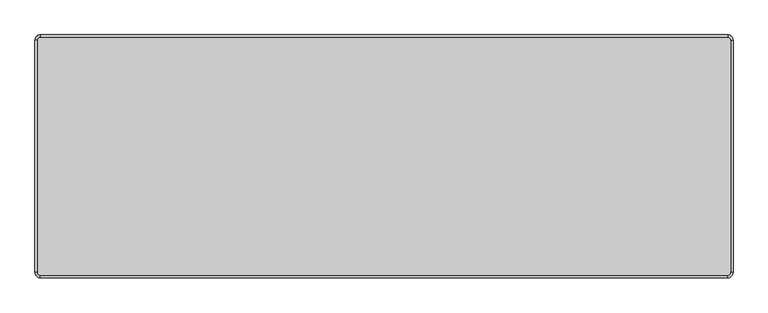
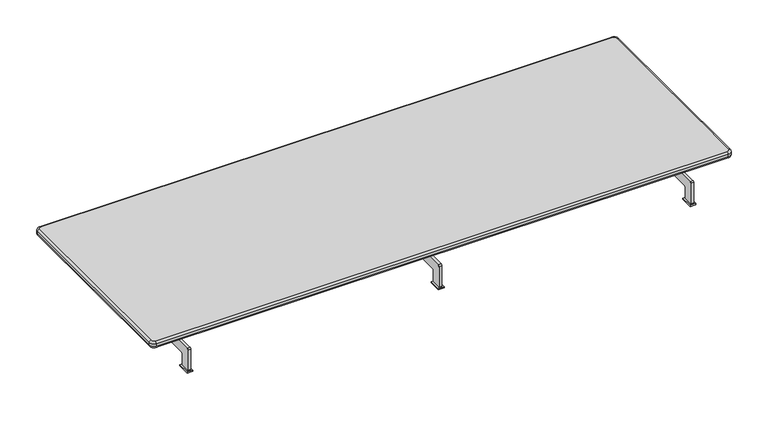
"""IFC4 building model written with IfcOpenShell, lengths in millimetres: furniture geometry."""

from ifc_helpers import new_model, si_unit, point, frame, frame_2d, origin, origin_with_axes, place, context, project, spatial, polyline, circle_curve, ellipse_curve, trimmed, segment, composite_curve, outline, extrude, source, transform, mapped, element, save
from ifc_brep_helpers import plane_surface, cylinder_surface, revolved_surface, advanced_brep


def furniture_961959c4(model_context):
    return source(origin(), model_context, "Body", "SolidModel", [
        extrude(outline(polyline([(11.0938974, 409.9949168), (11.0938974, 358.0034294), (-12.9060782, 358.0034294), (-12.9060782, 409.9949168), (11.0938974, 409.9949168)])), origin_with_axes(), (0.0, 0.0, 1.0), 5.0),
        extrude(outline(polyline([(11.0938974, -411.9777726), (-12.9060782, -411.9777726), (-12.9060782, -359.9862852), (11.0938974, -359.9862852), (11.0938974, -411.9777726)])), origin_with_axes(), (0.0, 0.0, 1.0), 5.0),
        extrude(outline(composite_curve([segment(trimmed(circle_curve(frame_2d((-270.3620737, 104.9874953)), 5.0), [point((-270.3620737, 99.9874953))], [point((-265.3620737, 104.9874953))], True, "CARTESIAN"), True, "CONTINUOUS"), segment(polyline([(-265.3620737, 104.9874953), (-265.3620737, 158.854696), (244.6351829, 158.854696), (244.6351829, 104.9874953)]), True, "CONTINUOUS"), segment(trimmed(circle_curve(frame_2d((249.6351829, 104.9874953)), 5.0), [point((244.6351829, 104.9874953))], [point((249.6351829, 99.9874953))], True, "CARTESIAN"), True, "CONTINUOUS"), segment(polyline([(249.6351829, 99.9874953), (399.6413141, 99.9874953)]), True, "CONTINUOUS"), segment(trimmed(circle_curve(frame_2d((399.6413141, 94.9874953)), 5.0), [point((399.6413141, 99.9874953))], [point((404.6413141, 94.9874953))], False, "CARTESIAN"), True, "CONTINUOUS"), segment(polyline([(404.6413141, 94.9874953), (404.6413141, 5.0)]), True, "CONTINUOUS"), segment(trimmed(circle_curve(frame_2d((399.6413141, 5.0)), 5.0), [point((404.6413141, 5.0))], [point((399.6413141, 0.0))], False, "CARTESIAN"), True, "CONTINUOUS"), segment(polyline([(399.6413141, 0.0), (369.6413141, 0.0)]), True, "CONTINUOUS"), segment(trimmed(circle_curve(frame_2d((369.6413141, 5.0)), 5.0), [point((369.6413141, 0.0))], [point((364.6413141, 5.0))], False, "CARTESIAN"), True, "CONTINUOUS"), segment(polyline([(364.6413141, 5.0), (364.6413141, 54.9883827)]), True, "CONTINUOUS"), segment(trimmed(circle_curve(frame_2d((359.6413141, 54.9883827)), 5.0), [point((364.6413141, 54.9883827))], [point((359.6413141, 59.9883827))], True, "CARTESIAN"), True, "CONTINUOUS"), segment(polyline([(359.6413141, 59.9883827), (-360.9807583, 59.9883827)]), True, "CONTINUOUS"), segment(trimmed(circle_curve(frame_2d((-360.9807583, 54.9883827)), 5.0), [point((-360.9807583, 59.9883827))], [point((-365.9807583, 54.9883827))], True, "CARTESIAN"), True, "CONTINUOUS"), segment(polyline([(-365.9807583, 54.9883827), (-365.9807583, 5.0)]), True, "CONTINUOUS"), segment(trimmed(circle_curve(frame_2d((-370.9807583, 5.0)), 5.0), [point((-365.9807583, 5.0))], [point((-370.9807583, 0.0))], False, "CARTESIAN"), True, "CONTINUOUS"), segment(polyline([(-370.9807583, 0.0), (-400.9832995, 0.0)]), True, "CONTINUOUS"), segment(trimmed(circle_curve(frame_2d((-400.9832995, 5.0)), 5.0), [point((-400.9832995, 0.0))], [point((-405.9832995, 5.0))], False, "CARTESIAN"), True, "CONTINUOUS"), segment(polyline([(-405.9832995, 5.0), (-405.9832995, 94.9874953)]), True, "CONTINUOUS"), segment(trimmed(circle_curve(frame_2d((-400.9832995, 94.9874953)), 5.0), [point((-405.9832995, 94.9874953))], [point((-400.9832995, 99.9874953))], False, "CARTESIAN"), True, "CONTINUOUS"), segment(polyline([(-400.9832995, 99.9874953), (-270.3620737, 99.9874953)]), True, "CONTINUOUS")], self_intersect=False)), frame((-6.9060904, 0.0, 0.0), z_axis=(1.0, 0.0, 0.0), x_axis=(0.0, 1.0, 0.0)), (0.0, 0.0, 1.0), 12.0),
        extrude(outline(polyline([(-1048.4999878, 409.9949168), (-1024.5000122, 409.9949168), (-1024.5000122, 358.0034294), (-1048.4999878, 358.0034294), (-1048.4999878, 409.9949168)])), origin_with_axes(), (0.0, 0.0, 1.0), 5.0),
        extrude(outline(polyline([(-1048.4999878, -411.9777726), (-1048.4999878, -359.9862852), (-1024.5000122, -359.9862852), (-1024.5000122, -411.9777726), (-1048.4999878, -411.9777726)])), origin_with_axes(), (0.0, 0.0, 1.0), 5.0),
        extrude(outline(composite_curve([segment(trimmed(circle_curve(frame_2d((-270.3620737, 104.9874953)), 5.0), [point((-270.3620737, 99.9874953))], [point((-265.3620737, 104.9874953))], True, "CARTESIAN"), True, "CONTINUOUS"), segment(polyline([(-265.3620737, 104.9874953), (-265.3620737, 158.854696), (244.6351829, 158.854696), (244.6351829, 104.9874953)]), True, "CONTINUOUS"), segment(trimmed(circle_curve(frame_2d((249.6351829, 104.9874953)), 5.0), [point((244.6351829, 104.9874953))], [point((249.6351829, 99.9874953))], True, "CARTESIAN"), True, "CONTINUOUS"), segment(polyline([(249.6351829, 99.9874953), (399.6413141, 99.9874953)]), True, "CONTINUOUS"), segment(trimmed(circle_curve(frame_2d((399.6413141, 94.9874953)), 5.0), [point((399.6413141, 99.9874953))], [point((404.6413141, 94.9874953))], False, "CARTESIAN"), True, "CONTINUOUS"), segment(polyline([(404.6413141, 94.9874953), (404.6413141, 5.0)]), True, "CONTINUOUS"), segment(trimmed(circle_curve(frame_2d((399.6413141, 5.0)), 5.0), [point((404.6413141, 5.0))], [point((399.6413141, 0.0))], False, "CARTESIAN"), True, "CONTINUOUS"), segment(polyline([(399.6413141, 0.0), (369.6413141, 0.0)]), True, "CONTINUOUS"), segment(trimmed(circle_curve(frame_2d((369.6413141, 5.0)), 5.0), [point((369.6413141, 0.0))], [point((364.6413141, 5.0))], False, "CARTESIAN"), True, "CONTINUOUS"), segment(polyline([(364.6413141, 5.0), (364.6413141, 54.9883827)]), True, "CONTINUOUS"), segment(trimmed(circle_curve(frame_2d((359.6413141, 54.9883827)), 5.0), [point((364.6413141, 54.9883827))], [point((359.6413141, 59.9883827))], True, "CARTESIAN"), True, "CONTINUOUS"), segment(polyline([(359.6413141, 59.9883827), (-360.9807583, 59.9883827)]), True, "CONTINUOUS"), segment(trimmed(circle_curve(frame_2d((-360.9807583, 54.9883827)), 5.0), [point((-360.9807583, 59.9883827))], [point((-365.9807583, 54.9883827))], True, "CARTESIAN"), True, "CONTINUOUS"), segment(polyline([(-365.9807583, 54.9883827), (-365.9807583, 5.0)]), True, "CONTINUOUS"), segment(trimmed(circle_curve(frame_2d((-370.9807583, 5.0)), 5.0), [point((-365.9807583, 5.0))], [point((-370.9807583, 0.0))], False, "CARTESIAN"), True, "CONTINUOUS"), segment(polyline([(-370.9807583, 0.0), (-400.9832995, 0.0)]), True, "CONTINUOUS"), segment(trimmed(circle_curve(frame_2d((-400.9832995, 5.0)), 5.0), [point((-400.9832995, 0.0))], [point((-405.9832995, 5.0))], False, "CARTESIAN"), True, "CONTINUOUS"), segment(polyline([(-405.9832995, 5.0), (-405.9832995, 94.9874953)]), True, "CONTINUOUS"), segment(trimmed(circle_curve(frame_2d((-400.9832995, 94.9874953)), 5.0), [point((-405.9832995, 94.9874953))], [point((-400.9832995, 99.9874953))], False, "CARTESIAN"), True, "CONTINUOUS"), segment(polyline([(-400.9832995, 99.9874953), (-270.3620737, 99.9874953)]), True, "CONTINUOUS")], self_intersect=False)), frame((-1042.5, 0.0, 0.0), z_axis=(1.0, 0.0, 0.0), x_axis=(0.0, 1.0, 0.0)), (0.0, 0.0, 1.0), 12.0),
        extrude(outline(polyline([(1048.4999878, 409.9949168), (1048.4999878, 358.0034294), (1024.5000122, 358.0034294), (1024.5000122, 409.9949168), (1048.4999878, 409.9949168)])), origin_with_axes(), (0.0, 0.0, 1.0), 5.0),
        extrude(outline(polyline([(1048.4999878, -411.9777726), (1024.5000122, -411.9777726), (1024.5000122, -359.9862852), (1048.4999878, -359.9862852), (1048.4999878, -411.9777726)])), origin_with_axes(), (0.0, 0.0, 1.0), 5.0),
        extrude(outline(composite_curve([segment(trimmed(circle_curve(frame_2d((-270.3620737, 104.9874953)), 5.0), [point((-270.3620737, 99.9874953))], [point((-265.3620737, 104.9874953))], True, "CARTESIAN"), True, "CONTINUOUS"), segment(polyline([(-265.3620737, 104.9874953), (-265.3620737, 158.854696), (244.6351829, 158.854696), (244.6351829, 104.9874953)]), True, "CONTINUOUS"), segment(trimmed(circle_curve(frame_2d((249.6351829, 104.9874953)), 5.0), [point((244.6351829, 104.9874953))], [point((249.6351829, 99.9874953))], True, "CARTESIAN"), True, "CONTINUOUS"), segment(polyline([(249.6351829, 99.9874953), (399.6413141, 99.9874953)]), True, "CONTINUOUS"), segment(trimmed(circle_curve(frame_2d((399.6413141, 94.9874953)), 5.0), [point((399.6413141, 99.9874953))], [point((404.6413141, 94.9874953))], False, "CARTESIAN"), True, "CONTINUOUS"), segment(polyline([(404.6413141, 94.9874953), (404.6413141, 5.0)]), True, "CONTINUOUS"), segment(trimmed(circle_curve(frame_2d((399.6413141, 5.0)), 5.0), [point((404.6413141, 5.0))], [point((399.6413141, 0.0))], False, "CARTESIAN"), True, "CONTINUOUS"), segment(polyline([(399.6413141, 0.0), (369.6413141, 0.0)]), True, "CONTINUOUS"), segment(trimmed(circle_curve(frame_2d((369.6413141, 5.0)), 5.0), [point((369.6413141, 0.0))], [point((364.6413141, 5.0))], False, "CARTESIAN"), True, "CONTINUOUS"), segment(polyline([(364.6413141, 5.0), (364.6413141, 54.9883827)]), True, "CONTINUOUS"), segment(trimmed(circle_curve(frame_2d((359.6413141, 54.9883827)), 5.0), [point((364.6413141, 54.9883827))], [point((359.6413141, 59.9883827))], True, "CARTESIAN"), True, "CONTINUOUS"), segment(polyline([(359.6413141, 59.9883827), (-360.9807583, 59.9883827)]), True, "CONTINUOUS"), segment(trimmed(circle_curve(frame_2d((-360.9807583, 54.9883827)), 5.0), [point((-360.9807583, 59.9883827))], [point((-365.9807583, 54.9883827))], True, "CARTESIAN"), True, "CONTINUOUS"), segment(polyline([(-365.9807583, 54.9883827), (-365.9807583, 5.0)]), True, "CONTINUOUS"), segment(trimmed(circle_curve(frame_2d((-370.9807583, 5.0)), 5.0), [point((-365.9807583, 5.0))], [point((-370.9807583, 0.0))], False, "CARTESIAN"), True, "CONTINUOUS"), segment(polyline([(-370.9807583, 0.0), (-400.9832995, 0.0)]), True, "CONTINUOUS"), segment(trimmed(circle_curve(frame_2d((-400.9832995, 5.0)), 5.0), [point((-400.9832995, 0.0))], [point((-405.9832995, 5.0))], False, "CARTESIAN"), True, "CONTINUOUS"), segment(polyline([(-405.9832995, 5.0), (-405.9832995, 94.9874953)]), True, "CONTINUOUS"), segment(trimmed(circle_curve(frame_2d((-400.9832995, 94.9874953)), 5.0), [point((-405.9832995, 94.9874953))], [point((-400.9832995, 99.9874953))], False, "CARTESIAN"), True, "CONTINUOUS"), segment(polyline([(-400.9832995, 99.9874953), (-270.3620737, 99.9874953)]), True, "CONTINUOUS")], self_intersect=False)), frame((1030.5, 0.0, 0.0), z_axis=(1.0, 0.0, 0.0), x_axis=(0.0, 1.0, 0.0)), (0.0, 0.0, 1.0), 12.0),
        advanced_brep(
        [(1178.5, -418.8927924, 166.3040803), (1178.5, -411.3927924, 158.8040803), (1190.0, -399.8927924, 158.8040803), (1197.5, -399.8927924, 166.3040803), (1197.5, -399.8927924, 177.5), (1178.5, -418.8927924, 177.5), (1190.0, -399.8927924, 185.0), (1178.5, -411.3927924, 185.0), (-1178.5308414, -418.8927924, 166.3040803), (-1178.5308414, -411.3927924, 158.8040803), (-1178.5308414, -418.8927924, 177.5), (-1178.5308414, -411.3927924, 185.0), (-1197.5308414, -399.8927924, 166.3040803), (-1190.0308414, -399.8927924, 158.8040803), (-1197.5308414, -399.8927924, 177.5), (-1190.0308414, -399.8927924, 185.0), (-1197.5308414, 397.1072076, 166.3040803), (-1190.0308414, 397.1072076, 158.8040803), (-1197.5308414, 397.1072076, 177.5), (-1190.0308414, 397.1072076, 185.0), (-1178.5308414, 416.1072076, 166.3040803), (-1178.5308414, 408.6072076, 158.8040803), (-1178.5308414, 416.1072076, 177.5), (-1178.5308414, 408.6072076, 185.0), (1178.5, 416.1072076, 166.3040803), (1178.5, 408.6072076, 158.8040803), (1178.5, 416.1072076, 177.5), (1178.5, 408.6072076, 185.0), (1197.5, 397.1072076, 166.3040803), (1190.0, 397.1072076, 158.8040803), (1197.5, 397.1072076, 177.5), (1190.0, 397.1072076, 185.0)],
        [
            (0, 1, circle_curve(frame((1178.5, -411.3927924, 166.3040803), z_axis=(1.0, 0.0, 0.0), x_axis=(0.0, 1.0, 0.0)), 7.5)),
            (1, 2, circle_curve(frame((1178.5, -399.8927924, 158.8040803), z_axis=(0.0, 0.0, 1.0), x_axis=(1.0, 0.0, 0.0)), 11.5)),
            (2, 3, circle_curve(frame((1190.0, -399.8927924, 166.3040803), z_axis=(0.0, -1.0, 0.0), x_axis=(-1.0, 0.0, 0.0)), 7.5)),
            (3, 0, circle_curve(frame((1178.5, -399.8927924, 166.3040803), z_axis=(0.0, 0.0, -1.0), x_axis=(1.0, 0.0, 0.0)), 19.0)),
            (3, 4),
            (4, 5, circle_curve(frame((1178.5, -399.8927924, 177.5), z_axis=(0.0, 0.0, -1.0), x_axis=(1.0, 0.0, 0.0)), 19.0)),
            (5, 0),
            (4, 6, circle_curve(frame((1190.0, -399.8927924, 177.5), z_axis=(0.0, -1.0, 0.0), x_axis=(-1.0, 0.0, 0.0)), 7.5)),
            (6, 7, circle_curve(frame((1178.5, -399.8927924, 185.0), z_axis=(0.0, 0.0, -1.0), x_axis=(1.0, 0.0, 0.0)), 11.5)),
            (7, 5, circle_curve(frame((1178.5, -411.3927924, 177.5), z_axis=(1.0, 0.0, 0.0), x_axis=(0.0, 1.0, 0.0)), 7.5)),
            (0, 8),
            (8, 9, circle_curve(frame((-1178.5308414, -411.3927924, 166.3040803), z_axis=(1.0, 0.0, 0.0), x_axis=(0.0, 1.0, 0.0)), 7.5)),
            (9, 1),
            (5, 10),
            (10, 8),
            (7, 11),
            (11, 10, circle_curve(frame((-1178.5308414, -411.3927924, 177.5), z_axis=(1.0, 0.0, 0.0), x_axis=(0.0, 1.0, 0.0)), 7.5)),
            (8, 12, circle_curve(frame((-1178.5308414, -399.8927924, 166.3040803), z_axis=(0.0, 0.0, -1.0), x_axis=(0.0, -1.0, 0.0)), 19.0)),
            (12, 13, circle_curve(frame((-1190.0308414, -399.8927924, 166.3040803), z_axis=(0.0, -1.0, 0.0), x_axis=(1.0, 0.0, 0.0)), 7.5)),
            (13, 9, circle_curve(frame((-1178.5308414, -399.8927924, 158.8040803), z_axis=(0.0, 0.0, 1.0), x_axis=(0.0, -1.0, 0.0)), 11.5)),
            (10, 14, circle_curve(frame((-1178.5308414, -399.8927924, 177.5), z_axis=(0.0, 0.0, -1.0), x_axis=(0.0, -1.0, 0.0)), 19.0)),
            (14, 12),
            (11, 15, circle_curve(frame((-1178.5308414, -399.8927924, 185.0), z_axis=(0.0, 0.0, -1.0), x_axis=(0.0, -1.0, 0.0)), 11.5)),
            (15, 14, circle_curve(frame((-1190.0308414, -399.8927924, 177.5), z_axis=(0.0, -1.0, 0.0), x_axis=(1.0, 0.0, 0.0)), 7.5)),
            (12, 16),
            (16, 17, circle_curve(frame((-1190.0308414, 397.1072076, 166.3040803), z_axis=(0.0, -1.0, 0.0), x_axis=(1.0, 0.0, 0.0)), 7.5)),
            (17, 13),
            (14, 18),
            (18, 16),
            (15, 19),
            (19, 18, circle_curve(frame((-1190.0308414, 397.1072076, 177.5), z_axis=(0.0, -1.0, 0.0), x_axis=(1.0, 0.0, 0.0)), 7.5)),
            (16, 20, circle_curve(frame((-1178.5308414, 397.1072076, 166.3040803), z_axis=(0.0, 0.0, -1.0), x_axis=(-1.0, 0.0, 0.0)), 19.0)),
            (20, 21, circle_curve(frame((-1178.5308414, 408.6072076, 166.3040803), z_axis=(-1.0, 0.0, 0.0), x_axis=(0.0, -1.0, 0.0)), 7.5)),
            (21, 17, circle_curve(frame((-1178.5308414, 397.1072076, 158.8040803), z_axis=(0.0, 0.0, 1.0), x_axis=(-1.0, 0.0, 0.0)), 11.5)),
            (18, 22, circle_curve(frame((-1178.5308414, 397.1072076, 177.5), z_axis=(0.0, 0.0, -1.0), x_axis=(-1.0, 0.0, 0.0)), 19.0)),
            (22, 20),
            (19, 23, circle_curve(frame((-1178.5308414, 397.1072076, 185.0), z_axis=(0.0, 0.0, -1.0), x_axis=(-1.0, 0.0, 0.0)), 11.5)),
            (23, 22, circle_curve(frame((-1178.5308414, 408.6072076, 177.5), z_axis=(-1.0, 0.0, 0.0), x_axis=(0.0, -1.0, 0.0)), 7.5)),
            (20, 24),
            (24, 25, circle_curve(frame((1178.5, 408.6072076, 166.3040803), z_axis=(-1.0, 0.0, 0.0), x_axis=(0.0, -1.0, 0.0)), 7.5)),
            (25, 21),
            (22, 26),
            (26, 24),
            (23, 27),
            (27, 26, circle_curve(frame((1178.5, 408.6072076, 177.5), z_axis=(-1.0, 0.0, 0.0), x_axis=(0.0, -1.0, 0.0)), 7.5)),
            (24, 28, circle_curve(frame((1178.5, 397.1072076, 166.3040803), z_axis=(0.0, 0.0, -1.0), x_axis=(0.0, 1.0, 0.0)), 19.0)),
            (28, 29, circle_curve(frame((1190.0, 397.1072076, 166.3040803), z_axis=(0.0, 1.0, 0.0), x_axis=(-1.0, 0.0, 0.0)), 7.5)),
            (29, 25, circle_curve(frame((1178.5, 397.1072076, 158.8040803), z_axis=(0.0, 0.0, 1.0), x_axis=(0.0, 1.0, 0.0)), 11.5)),
            (26, 30, circle_curve(frame((1178.5, 397.1072076, 177.5), z_axis=(0.0, 0.0, -1.0), x_axis=(0.0, 1.0, 0.0)), 19.0)),
            (30, 28),
            (27, 31, circle_curve(frame((1178.5, 397.1072076, 185.0), z_axis=(0.0, 0.0, -1.0), x_axis=(0.0, 1.0, 0.0)), 11.5)),
            (31, 30, circle_curve(frame((1190.0, 397.1072076, 177.5), z_axis=(0.0, 1.0, 0.0), x_axis=(-1.0, 0.0, 0.0)), 7.5)),
            (6, 31),
            (29, 2),
            (28, 3),
            (30, 4),
        ],
        [
            revolved_surface(trimmed(ellipse_curve(frame((1190.0, -399.8927924, 166.3040803), z_axis=(0.0, -1.0, 0.0), x_axis=(-1.0, 0.0, 0.0)), 7.5, 7.5), [point((1190.0, -399.8927924, 158.8040803))], [point((1197.5, -399.8927924, 166.3040803))], True, "CARTESIAN"), (1178.5, -399.8927924, 185.0), (0.0, 0.0, 1.0)),
            cylinder_surface(frame((1178.5, -399.8927924, 185.0), z_axis=(0.0, 0.0, 1.0), x_axis=(1.0, 0.0, 0.0)), 19.0),
            revolved_surface(trimmed(ellipse_curve(frame((1190.0, -399.8927924, 177.5), z_axis=(0.0, -1.0, 0.0), x_axis=(-1.0, 0.0, 0.0)), 7.5, 7.5), [point((1197.5, -399.8927924, 177.5))], [point((1190.0, -399.8927924, 185.0))], True, "CARTESIAN"), (1178.5, -399.8927924, 185.0), (0.0, 0.0, 1.0)),
            cylinder_surface(frame((1178.5, -411.3927924, 166.3040803), z_axis=(1.0, 0.0, 0.0), x_axis=(0.0, 1.0, 0.0)), 7.5),
            plane_surface(frame((1178.5, -418.8927924, 166.3040803), z_axis=(0.0, -1.0, 0.0), x_axis=(-1.0, 0.0, 0.0))),
            cylinder_surface(frame((1178.5, -411.3927924, 177.5), z_axis=(1.0, 0.0, 0.0), x_axis=(0.0, 1.0, 0.0)), 7.5),
            revolved_surface(trimmed(ellipse_curve(frame((-1178.5308414, -411.3927924, 166.3040803), z_axis=(-1.0, 0.0, 0.0), x_axis=(0.0, 1.0, 0.0)), 7.5, 7.5), [point((-1178.5308414, -411.3927924, 158.8040803))], [point((-1178.5308414, -418.8927924, 166.3040803))], True, "CARTESIAN"), (-1178.5308414, -399.8927924, 185.0), (0.0, 0.0, 1.0)),
            cylinder_surface(frame((-1178.5308414, -399.8927924, 185.0), z_axis=(0.0, 0.0, 1.0), x_axis=(0.0, -1.0, 0.0)), 19.0),
            revolved_surface(trimmed(ellipse_curve(frame((-1178.5308414, -411.3927924, 177.5), z_axis=(-1.0, 0.0, 0.0), x_axis=(0.0, 1.0, 0.0)), 7.5, 7.5), [point((-1178.5308414, -418.8927924, 177.5))], [point((-1178.5308414, -411.3927924, 185.0))], True, "CARTESIAN"), (-1178.5308414, -399.8927924, 185.0), (0.0, 0.0, 1.0)),
            cylinder_surface(frame((-1190.0308414, -399.8927924, 166.3040803), z_axis=(0.0, -1.0, 0.0), x_axis=(1.0, 0.0, 0.0)), 7.5),
            plane_surface(frame((-1197.5308414, -399.8927924, 166.3040803), z_axis=(-1.0, 0.0, 0.0), x_axis=(0.0, 1.0, 0.0))),
            cylinder_surface(frame((-1190.0308414, -399.8927924, 177.5), z_axis=(0.0, -1.0, 0.0), x_axis=(1.0, 0.0, 0.0)), 7.5),
            revolved_surface(trimmed(ellipse_curve(frame((-1190.0308414, 397.1072076, 166.3040803), z_axis=(0.0, 1.0, 0.0), x_axis=(1.0, 0.0, 0.0)), 7.5, 7.5), [point((-1190.0308414, 397.1072076, 158.8040803))], [point((-1197.5308414, 397.1072076, 166.3040803))], True, "CARTESIAN"), (-1178.5308414, 397.1072076, 185.0), (0.0, 0.0, 1.0)),
            cylinder_surface(frame((-1178.5308414, 397.1072076, 185.0), z_axis=(0.0, 0.0, 1.0), x_axis=(-1.0, 0.0, 0.0)), 19.0),
            revolved_surface(trimmed(ellipse_curve(frame((-1190.0308414, 397.1072076, 177.5), z_axis=(0.0, 1.0, 0.0), x_axis=(1.0, 0.0, 0.0)), 7.5, 7.5), [point((-1197.5308414, 397.1072076, 177.5))], [point((-1190.0308414, 397.1072076, 185.0))], True, "CARTESIAN"), (-1178.5308414, 397.1072076, 185.0), (0.0, 0.0, 1.0)),
            cylinder_surface(frame((-1178.5308414, 408.6072076, 166.3040803), z_axis=(-1.0, 0.0, 0.0), x_axis=(0.0, -1.0, 0.0)), 7.5),
            plane_surface(frame((-1178.5308414, 416.1072076, 166.3040803), z_axis=(0.0, 1.0, 0.0), x_axis=(1.0, 0.0, 0.0))),
            cylinder_surface(frame((-1178.5308414, 408.6072076, 177.5), z_axis=(-1.0, 0.0, 0.0), x_axis=(0.0, -1.0, 0.0)), 7.5),
            revolved_surface(trimmed(ellipse_curve(frame((1178.5, 408.6072076, 166.3040803), z_axis=(1.0, 0.0, 0.0), x_axis=(0.0, -1.0, 0.0)), 7.5, 7.5), [point((1178.5, 408.6072076, 158.8040803))], [point((1178.5, 416.1072076, 166.3040803))], True, "CARTESIAN"), (1178.5, 397.1072076, 185.0), (0.0, 0.0, 1.0)),
            cylinder_surface(frame((1178.5, 397.1072076, 185.0), z_axis=(0.0, 0.0, 1.0), x_axis=(0.0, 1.0, 0.0)), 19.0),
            revolved_surface(trimmed(ellipse_curve(frame((1178.5, 408.6072076, 177.5), z_axis=(1.0, 0.0, 0.0), x_axis=(0.0, -1.0, 0.0)), 7.5, 7.5), [point((1178.5, 416.1072076, 177.5))], [point((1178.5, 408.6072076, 185.0))], True, "CARTESIAN"), (1178.5, 397.1072076, 185.0), (0.0, 0.0, 1.0)),
            plane_surface(frame((1190.0, 397.1072076, 185.0), z_axis=(0.0, 0.0, 1.0), x_axis=(0.0, -1.0, 0.0))),
            plane_surface(frame((1182.5, 397.1072076, 158.8040803), z_axis=(0.0, 0.0, -1.0), x_axis=(0.0, -1.0, 0.0))),
            cylinder_surface(frame((1190.0, 397.1072076, 166.3040803), z_axis=(0.0, 1.0, 0.0), x_axis=(-1.0, 0.0, 0.0)), 7.5),
            plane_surface(frame((1197.5, 397.1072076, 166.3040803), z_axis=(1.0, 0.0, 0.0), x_axis=(0.0, -1.0, 0.0))),
            cylinder_surface(frame((1190.0, 397.1072076, 177.5), z_axis=(0.0, 1.0, 0.0), x_axis=(-1.0, 0.0, 0.0)), 7.5),
        ],
        [
            (0, [[1, 2, 3, 4]]),
            (1, [[5, 6, 7, -4]]),
            (2, [[8, 9, 10, -6]]),
            (3, [[11, 12, 13, -1]]),
            (4, [[14, 15, -11, -7]]),
            (5, [[16, 17, -14, -10]]),
            (6, [[18, 19, 20, -12]]),
            (7, [[21, 22, -18, -15]]),
            (8, [[23, 24, -21, -17]]),
            (9, [[25, 26, 27, -19]]),
            (10, [[28, 29, -25, -22]]),
            (11, [[30, 31, -28, -24]]),
            (12, [[32, 33, 34, -26]]),
            (13, [[35, 36, -32, -29]]),
            (14, [[37, 38, -35, -31]]),
            (15, [[39, 40, 41, -33]]),
            (16, [[42, 43, -39, -36]]),
            (17, [[44, 45, -42, -38]]),
            (18, [[46, 47, 48, -40]]),
            (19, [[49, 50, -46, -43]]),
            (20, [[51, 52, -49, -45]]),
            (21, [[53, -51, -44, -37, -30, -23, -16, -9]]),
            (22, [[-13, -20, -27, -34, -41, -48, 54, -2]]),
            (23, [[-54, -47, 55, -3]]),
            (24, [[-55, -50, 56, -5]]),
            (25, [[-56, -52, -53, -8]]),
        ],
    ),
    ])


if __name__ == "__main__":
    model = new_model("IFC4")
    model_context = context("Model", 3, world=origin())
    ifc_project = project(units=[si_unit("LENGTHUNIT", "METRE", prefix="MILLI")], contexts=[model_context])
    site = spatial("IfcSite", under=ifc_project)
    building = spatial("IfcBuilding", under=site)
    placement = place(None, origin())
    furniture_shape = furniture_961959c4(model_context)
    element("IfcFurniture", 1, at=placement, inside=building, context=model_context, shape_type="MappedRepresentation", body=[
        mapped(furniture_shape, transform((0.0, 0.0, 0.0), x_axis=(1.0, 0.0, 0.0), y_axis=(0.0, 1.0, 0.0), z_axis=(0.0, 0.0, 1.0))),
    ])
    save(model, "model.ifc")
